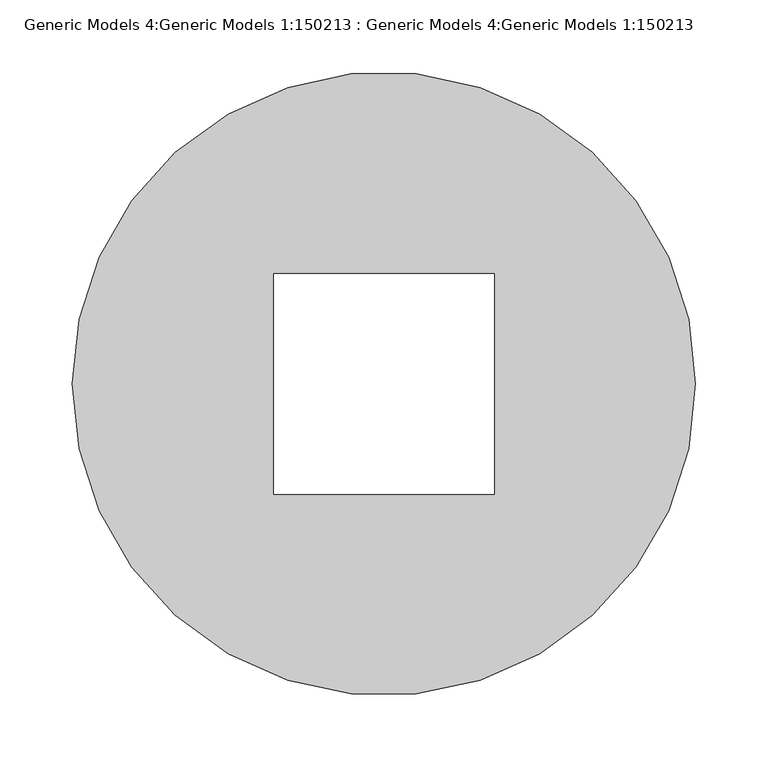
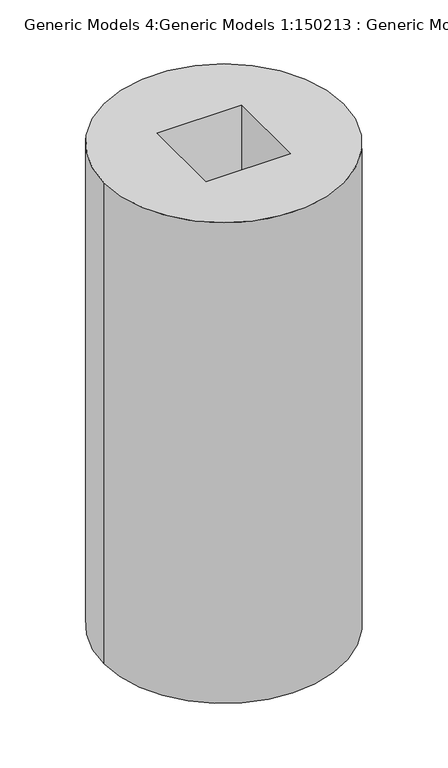
"""IFC4 building model written with IfcOpenShell, lengths in millimetres: proxy geometry, Generic Models 4:Generic Models 1:150213 : Generic Models 4:Generic Models 1:150213."""

from ifc_helpers import new_model, si_unit, point, frame_2d, origin, origin_with_axes, place, context, project, spatial, polyline, circle_curve, trimmed, segment, composite_curve, outline, extrude, source, transform, mapped, element, save


def generic_models_4_generic_models_1_150213_generic_models_4_39f870d4(model_context):
    return source(origin(), model_context, "Body", "SweptSolid", [
        extrude(outline(composite_curve([segment(trimmed(circle_curve(frame_2d((762.0, 762.0)), 215.5261469), [point((546.4738531, 762.0))], [point((977.5261469, 762.0))], False, "CARTESIAN"), True, "CONTINUOUS"), segment(trimmed(circle_curve(frame_2d((762.0, 762.0)), 215.5261469), [point((977.5261469, 762.0))], [point((546.4738531, 762.0))], False, "CARTESIAN"), True, "CONTINUOUS")], self_intersect=False), holes=[polyline([(838.2, 685.8), (838.2, 838.2), (685.8, 838.2), (685.8, 685.8), (838.2, 685.8)])]), origin_with_axes(), (0.0, 0.0, 1.0), 914.4),
    ])


if __name__ == "__main__":
    model = new_model("IFC4")
    model_context = context("Model", 3, world=origin())
    ifc_project = project(units=[si_unit("LENGTHUNIT", "METRE", prefix="MILLI")], contexts=[model_context])
    site = spatial("IfcSite", under=ifc_project)
    building = spatial("IfcBuilding", under=site)
    placement = place(None, origin())
    generic_models_4_generic_models_1_150213_generic_models_4_shape = generic_models_4_generic_models_1_150213_generic_models_4_39f870d4(model_context)
    element("IfcBuildingElementProxy", 1, Name="Generic Models 4:Generic Models 1:150213 : Generic Models 4:Generic Models 1:150213", ObjectType="Generic Models 4:Generic Models 1:150213 : Generic Models 4:Generic Models 1:150213", at=placement, inside=building, context=model_context, shape_type="MappedRepresentation", body=[
        mapped(generic_models_4_generic_models_1_150213_generic_models_4_shape, transform((0.0, 0.0, 0.0), x_axis=(1.0, 0.0, 0.0), y_axis=(0.0, 1.0, 0.0), z_axis=(0.0, 0.0, 1.0))),
    ])
    save(model, "model.ifc")
